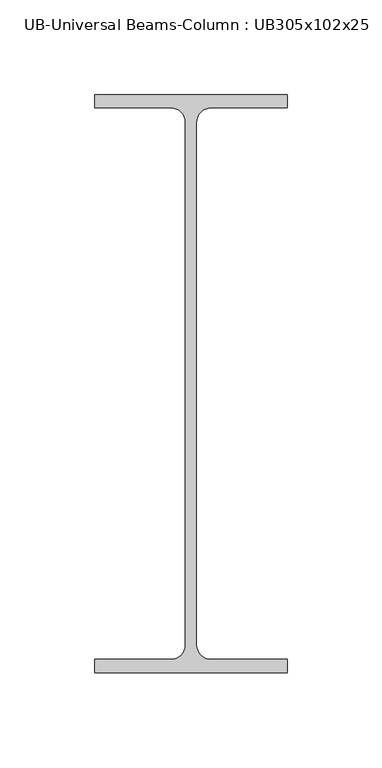
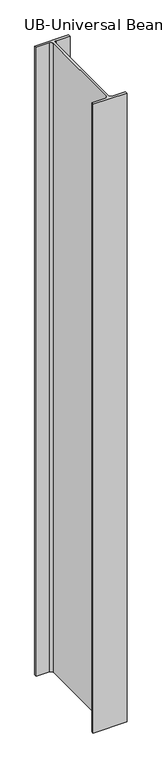
"""IFC4 building model written with IfcOpenShell, lengths in millimetres: column geometry, UB-Universal Beams-Column : UB305x102x25."""

from ifc_helpers import new_model, si_unit, point, frame_2d, origin, origin_with_axes, place, context, project, spatial, polyline, circle_curve, trimmed, segment, composite_curve, outline, extrude, source, transform, mapped, element, save


def ub_universal_beams_column_ub305x102x25_fde077e1(model_context):
    return source(origin(), model_context, "Body", "SweptSolid", [
        extrude(outline(composite_curve([segment(polyline([(50.8, 152.55), (50.8, 145.55), (10.5, 145.55)]), True, "CONTINUOUS"), segment(trimmed(circle_curve(frame_2d((10.5, 137.95)), 7.6), [point((10.5, 145.55))], [point((2.9, 137.95))], True, "CARTESIAN"), True, "CONTINUOUS"), segment(polyline([(2.9, 137.95), (2.9, -137.95)]), True, "CONTINUOUS"), segment(trimmed(circle_curve(frame_2d((10.5, -137.95)), 7.6), [point((2.9, -137.95))], [point((10.5, -145.55))], True, "CARTESIAN"), True, "CONTINUOUS"), segment(polyline([(10.5, -145.55), (50.8, -145.55), (50.8, -152.55), (-50.8, -152.55), (-50.8, -145.55), (-10.5, -145.55)]), True, "CONTINUOUS"), segment(trimmed(circle_curve(frame_2d((-10.5, -137.95)), 7.6), [point((-10.5, -145.55))], [point((-2.9, -137.95))], True, "CARTESIAN"), True, "CONTINUOUS"), segment(polyline([(-2.9, -137.95), (-2.9, 137.95)]), True, "CONTINUOUS"), segment(trimmed(circle_curve(frame_2d((-10.5, 137.95)), 7.6), [point((-2.9, 137.95))], [point((-10.5, 145.55))], True, "CARTESIAN"), True, "CONTINUOUS"), segment(polyline([(-10.5, 145.55), (-50.8, 145.55), (-50.8, 152.55), (50.8, 152.55)]), True, "CONTINUOUS")], self_intersect=False)), origin_with_axes(), (0.0, 0.0, 1.0), 2000.0),
    ])


if __name__ == "__main__":
    model = new_model("IFC4")
    model_context = context("Model", 3, world=origin())
    ifc_project = project(units=[si_unit("LENGTHUNIT", "METRE", prefix="MILLI")], contexts=[model_context])
    site = spatial("IfcSite", under=ifc_project)
    building = spatial("IfcBuilding", under=site)
    placement = place(None, origin())
    ub_universal_beams_column_ub305x102x25_shape = ub_universal_beams_column_ub305x102x25_fde077e1(model_context)
    element("IfcColumn", 1, ObjectType="UB-Universal Beams-Column : UB305x102x25", at=placement, inside=building, context=model_context, shape_type="MappedRepresentation", body=[
        mapped(ub_universal_beams_column_ub305x102x25_shape, transform((0.0, 0.0, 0.0), x_axis=(1.0, 0.0, 0.0), y_axis=(0.0, 1.0, 0.0), z_axis=(0.0, 0.0, 1.0))),
    ])
    save(model, "model.ifc")
